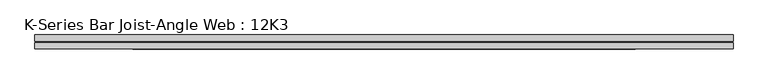
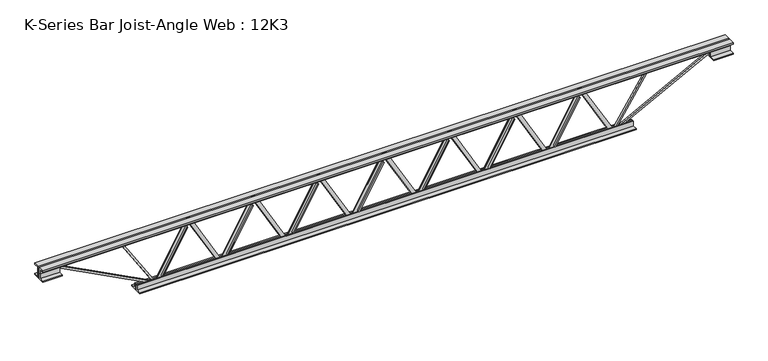
"""IFC4 building model written with IfcOpenShell, lengths in millimetres: beam geometry, K-Series Bar Joist-Angle Web : 12K3."""

import ifcopenshell
import ifcopenshell.guid

model = None  # the IFC model being written
_history = None  # IfcOwnerHistory: only IFC2X3 demands one
_inside = {}  # id of a spatial element -> (the spatial element, [elements in it])
_under = {}  # id of a project, library or spatial element -> (it, [spatial elements below it])
_declared = {}  # id of a project -> (the project, [libraries it declares])
_typed = {}  # id of a type object -> (the type object, [elements of that type])
_made_of = {}  # id of a material, layer set ... -> (it, [elements and type objects made of it])


def new_model(schema):
    """Start an empty IFC model of exactly this schema.

    Asked for "IFC4X3", IfcOpenShell would pick the latest addendum, in which some entities
    have other attributes; the version numbers below select the first issue.
    IFC2X3 requires an IfcOwnerHistory on every rooted entity: one is made here for all.
    """
    global model, _history
    if schema == "IFC4X3":
        model = ifcopenshell.file(schema_version=(4, 3, 0, 0))
    else:
        model = ifcopenshell.file(schema=schema)
    _inside.clear()
    _under.clear()
    _declared.clear()
    _typed.clear()
    _made_of.clear()
    _history = None
    if model.schema == "IFC2X3":
        org = make("IfcOrganization", Name="unknown")
        user = make(
            "IfcPersonAndOrganization",
            ThePerson=make("IfcPerson", FamilyName="unknown"),
            TheOrganization=org,
        )
        app = make(
            "IfcApplication",
            ApplicationDeveloper=org,
            Version="unknown",
            ApplicationFullName="unknown",
            ApplicationIdentifier="unknown",
        )
        _history = make(
            "IfcOwnerHistory",
            OwningUser=user,
            OwningApplication=app,
            ChangeAction="ADDED",
            CreationDate=0,
        )
    return model


def make(cls, **values):
    """One entity of the class cls with the attributes given. An attribute that is None is left unset."""
    return model.create_entity(
        cls, **{name: value for name, value in values.items() if value is not None}
    )


def rooted(cls, **values):
    """An entity with a GlobalId (a new one), such as an element, a storey or a relation."""
    return make(cls, GlobalId=ifcopenshell.guid.new(), OwnerHistory=_history, **values)


def si_unit(unit_type, name, prefix=None):
    """IfcSIUnit, for example si_unit("LENGTHUNIT", "METRE", prefix="MILLI")."""
    return make("IfcSIUnit", UnitType=unit_type, Prefix=prefix, Name=name)


def assignment(units):
    """IfcUnitAssignment: the units of a project."""
    return None if units is None else make("IfcUnitAssignment", Units=units)


def point(xyz):
    """IfcCartesianPoint."""
    return None if xyz is None else make("IfcCartesianPoint", Coordinates=xyz)


def direction(xyz):
    """IfcDirection."""
    return None if xyz is None else make("IfcDirection", DirectionRatios=xyz)


def frame(location, z_axis=None, x_axis=None):
    """IfcAxis2Placement3D, a coordinate frame: its origin and axes. An axis left out is left unset."""
    return make(
        "IfcAxis2Placement3D",
        Location=point(location),
        Axis=direction(z_axis),
        RefDirection=direction(x_axis),
    )


def origin():
    """The frame at (0, 0, 0) with its axes left unset."""
    return frame((0.0, 0.0, 0.0))


def place(relative_to, where):
    """IfcLocalPlacement: puts the frame where relative to a parent placement (None: the world)."""
    return make(
        "IfcLocalPlacement", PlacementRelTo=relative_to, RelativePlacement=where
    )


def context(
    kind, dimensions, precision=None, world=None, true_north=None, identifier=None
):
    """IfcGeometricRepresentationContext, for example the 3D "Model" context."""
    return make(
        "IfcGeometricRepresentationContext",
        ContextIdentifier=identifier,
        ContextType=kind,
        CoordinateSpaceDimension=dimensions,
        Precision=precision,
        WorldCoordinateSystem=world,
        TrueNorth=true_north,
    )


def project(units=None, contexts=None):
    """IfcProject with its units and contexts."""
    return rooted(
        "IfcProject",
        Name="project",
        RepresentationContexts=contexts,
        UnitsInContext=assignment(units),
    )


def spatial(cls, under=None, at=None, **own):
    """A site, building, storey or space (cls), placed at a placement, below another one or the project."""
    s = rooted(cls, ObjectPlacement=at, **own)
    if under is not None:
        _under.setdefault(under.id(), (under, []))[1].append(s)
    return s


def polyline(points):
    """IfcPolyline through the points."""
    return make("IfcPolyline", Points=[point(p) for p in points])


def outline(outer, holes=None, kind="AREA"):
    """IfcArbitraryClosedProfileDef: a profile drawn as a closed curve; with holes, ...WithVoids."""
    if holes is None:
        return make("IfcArbitraryClosedProfileDef", ProfileType=kind, OuterCurve=outer)
    return make(
        "IfcArbitraryProfileDefWithVoids",
        ProfileType=kind,
        OuterCurve=outer,
        InnerCurves=holes,
    )


def extrude(swept, where, along, depth):
    """IfcExtrudedAreaSolid: the profile swept, set in the frame where, extruded along a direction by depth."""
    return make(
        "IfcExtrudedAreaSolid",
        SweptArea=swept,
        Position=where,
        ExtrudedDirection=direction(along),
        Depth=depth,
    )


def faces_of(points, faces, orient=None, outer=None):
    """IfcFace entities. A face is a list of loops; a loop is a list of indices into points, from 0.

    orient and outer hold one flag for each loop. By default every Orientation is true, the
    first loop of a face is its IfcFaceOuterBound and the others are IfcFaceBound.
    """
    made = []
    for i, loops in enumerate(faces):
        bounds = []
        for j, loop in enumerate(loops):
            is_outer = j == 0 if outer is None else outer[i][j]
            bounds.append(
                make(
                    "IfcFaceOuterBound" if is_outer else "IfcFaceBound",
                    Bound=make("IfcPolyLoop", Polygon=[points[k] for k in loop]),
                    Orientation=True if orient is None else orient[i][j],
                )
            )
        made.append(make("IfcFace", Bounds=bounds))
    return made


def faceted_brep(points, faces, orient=None, outer=None, voids=None):
    """IfcFacetedBrep: a solid bounded by flat faces; with voids (closed shells), ...WithVoids."""
    shared = [point(p) for p in points]
    hull = make("IfcClosedShell", CfsFaces=faces_of(shared, faces, orient, outer))
    if voids is None:
        return make("IfcFacetedBrep", Outer=hull)
    return make(
        "IfcFacetedBrepWithVoids",
        Outer=hull,
        Voids=[
            make(cls, CfsFaces=faces_of(shared, fs, o, b)) for cls, fs, o, b in voids
        ],
    )


def shape(context_of_items, identifier, shape_type, items):
    """IfcShapeRepresentation: the items that make up one representation, for example the "Body"."""
    return make(
        "IfcShapeRepresentation",
        ContextOfItems=context_of_items,
        RepresentationIdentifier=identifier,
        RepresentationType=shape_type,
        Items=items,
    )


def source(mapping_origin, context_of_items, identifier, shape_type, items):
    """IfcRepresentationMap: a shape defined once, which mapped items show again and again."""
    return make(
        "IfcRepresentationMap",
        MappingOrigin=mapping_origin,
        MappedRepresentation=shape(context_of_items, identifier, shape_type, items),
    )


def transform(
    local_origin,
    x_axis=None,
    y_axis=None,
    z_axis=None,
    scale=None,
    scale2=None,
    scale3=None,
    uniform=True,
):
    """IfcCartesianTransformationOperator3D, or its non-uniform kind. x_axis, y_axis, z_axis: its Axis1, 2, 3."""
    if uniform:
        return make(
            "IfcCartesianTransformationOperator3D",
            Axis1=direction(x_axis),
            Axis2=direction(y_axis),
            LocalOrigin=point(local_origin),
            Scale=scale,
            Axis3=direction(z_axis),
        )
    return make(
        "IfcCartesianTransformationOperator3DnonUniform",
        Axis1=direction(x_axis),
        Axis2=direction(y_axis),
        LocalOrigin=point(local_origin),
        Scale=scale,
        Axis3=direction(z_axis),
        Scale2=scale2,
        Scale3=scale3,
    )


def mapped(mapping_source, mapping_target):
    """IfcMappedItem: shows the shape of a source again, moved by a transform."""
    return make(
        "IfcMappedItem", MappingSource=mapping_source, MappingTarget=mapping_target
    )


def made_of(thing, what):
    """Note that an element or type object is made of a material, layer set ...; save() writes the relation."""
    if what is not None:
        _made_of.setdefault(what.id(), (what, []))[1].append(thing)
    return thing


def element(
    cls,
    number,
    at=None,
    inside=None,
    cuts=None,
    type_object=None,
    material=None,
    context=None,
    identifier="Body",
    shape_type=None,
    held_by="IfcProductDefinitionShape",
    body=None,
    shapes=None,
    **own,
):
    """One element of the class cls, such as IfcWall. Its Tag is "e" and its number.

    at: its placement. inside: the storey or other place that contains it. cuts: it is an
    opening in that element (IfcRelVoidsElement). A single representation is given by context,
    identifier, shape_type and body (its items); several are given by shapes. held_by: the class
    of the entity that holds the representations. save() writes the other relations.
    """
    e = rooted(cls, Tag="e%d" % number, ObjectPlacement=at, **own)
    if body is not None:
        shapes = [shape(context, identifier, shape_type, body)]
    if shapes is not None:
        e.Representation = make(held_by, Representations=shapes)
    if inside is not None:
        _inside.setdefault(inside.id(), (inside, []))[1].append(e)
    if cuts is not None:
        rooted(
            "IfcRelVoidsElement", RelatingBuildingElement=cuts, RelatedOpeningElement=e
        )
    if type_object is not None:
        _typed.setdefault(type_object.id(), (type_object, []))[1].append(e)
    return made_of(e, material)


def aggregate(whole, parts):
    """IfcRelAggregates: a whole, such as a stair, and the parts it consists of."""
    return rooted("IfcRelAggregates", RelatingObject=whole, RelatedObjects=parts)


def save(model, path):
    """Write the relations noted so far, then the file.

    IfcRelAggregates (storeys below a building ...), IfcRelContainedInSpatialStructure (elements
    in a storey), IfcRelDefinesByType, IfcRelAssociatesMaterial and IfcRelDeclares: one each for
    every whole, place, type object, material and project.
    """
    for whole, parts in _under.values():
        aggregate(whole, parts)
    for where, things in _inside.values():
        rooted(
            "IfcRelContainedInSpatialStructure",
            RelatedElements=things,
            RelatingStructure=where,
        )
    for kind, things in _typed.values():
        rooted("IfcRelDefinesByType", RelatedObjects=things, RelatingType=kind)
    for what, things in _made_of.values():
        rooted("IfcRelAssociatesMaterial", RelatedObjects=things, RelatingMaterial=what)
    for by, libraries in _declared.values():
        rooted("IfcRelDeclares", RelatingContext=by, RelatedDefinitions=libraries)
    model.write(path)


def k_series_bar_joist_angle_web_12k3_3188a561(model_context):
    return source(origin(), model_context, "Body", "SolidModel", [
        extrude(outline(polyline([(-4.7625, 4.7625), (-4.7625, 0.0), (-17.4625, 0.0), (-17.4625, 4.7625), (-4.7625, 4.7625)])), frame((825.5130629, 0.0, -114.3), z_axis=(-0.4940094076095883, 0.0, 0.8694565573927335), x_axis=(0.0, -1.0, 0.0)), (0.0, 0.0, 1.0), 262.9228546),
        extrude(outline(polyline([(-149.225, 857.25), (-130.175, 857.25), (-130.175, 856.4431871), (149.225, 697.6931871), (149.225, 679.45), (130.175, 679.45), (130.175, 686.6068129), (-149.225, 845.3568129), (-149.225, 857.25)])), frame((0.0, 0.0, 0.0), z_axis=(0.0, 1.0, 0.0), x_axis=(0.0, 0.0, 1.0)), (0.0, 0.0, 1.0), 4.7625),
        faceted_brep([(514.35, 0.0, -130.175), (514.35, 0.0, -149.225), (514.35, -4.7625, -149.225), (514.35, -4.7625, -130.175), (515.1568129, 0.0, -130.175), (673.9068129, 0.0, 149.225), (692.15, 0.0, 149.225), (692.15, 0.0, 130.175), (684.9931871, 0.0, 130.175), (526.2431871, 0.0, -149.225), (526.2431871, -4.7625, -149.225), (546.0869371, -4.7625, -114.3), (541.9461503, -4.7625, -111.9472802), (671.8325139, -4.7625, 116.6527198), (675.9733008, -4.7625, 114.3), (684.9931871, -4.7625, 130.175), (692.15, -4.7625, 130.175), (692.15, -4.7625, 149.225), (673.9068129, -4.7625, 149.225), (515.1568129, -4.7625, -130.175), (675.9733008, -17.4625, 114.3), (546.0869371, -17.4625, -114.3), (541.9461503, -17.4625, -111.9472802), (671.8325139, -17.4625, 116.6527198)], [[[0, 1, 2, 3]], [[1, 0, 4, 5, 6, 7, 8, 9]], [[2, 1, 9, 10]], [[3, 2, 10, 11, 12, 13, 14, 15, 16, 17, 18, 19]], [[0, 3, 19, 4]], [[9, 8, 15, 14, 20, 21, 11, 10]], [[5, 4, 19, 18]], [[7, 6, 17, 16]], [[8, 7, 16, 15]], [[6, 5, 18, 17]], [[21, 22, 12, 11]], [[20, 14, 13, 23]], [[22, 21, 20, 23]], [[12, 22, 23, 13]]]),
        extrude(outline(polyline([(-4.7625, 4.7625), (-4.7625, 0.0), (-17.4625, 0.0), (-17.4625, 4.7625), (-4.7625, 4.7625)])), frame((482.6130629, 0.0, -114.3), z_axis=(-0.4940094076095883, 0.0, 0.8694565573927335), x_axis=(0.0, -1.0, 0.0)), (0.0, 0.0, 1.0), 262.9228546),
        extrude(outline(polyline([(-149.225, 514.35), (-130.175, 514.35), (-130.175, 513.5431871), (149.225, 354.7931871), (149.225, 336.55), (130.175, 336.55), (130.175, 343.7068129), (-149.225, 502.4568129), (-149.225, 514.35)])), frame((0.0, 0.0, 0.0), z_axis=(0.0, 1.0, 0.0), x_axis=(0.0, 0.0, 1.0)), (0.0, 0.0, 1.0), 4.7625),
        faceted_brep([(171.45, 0.0, -130.175), (171.45, 0.0, -149.225), (171.45, -4.7625, -149.225), (171.45, -4.7625, -130.175), (172.2568129, 0.0, -130.175), (331.0068129, 0.0, 149.225), (349.25, 0.0, 149.225), (349.25, 0.0, 130.175), (342.0931871, 0.0, 130.175), (183.3431871, 0.0, -149.225), (183.3431871, -4.7625, -149.225), (203.1869371, -4.7625, -114.3), (199.0461503, -4.7625, -111.9472802), (328.9325139, -4.7625, 116.6527198), (333.0733008, -4.7625, 114.3), (342.0931871, -4.7625, 130.175), (349.25, -4.7625, 130.175), (349.25, -4.7625, 149.225), (331.0068129, -4.7625, 149.225), (172.2568129, -4.7625, -130.175), (333.0733008, -17.4625, 114.3), (203.1869371, -17.4625, -114.3), (199.0461503, -17.4625, -111.9472802), (328.9325139, -17.4625, 116.6527198)], [[[0, 1, 2, 3]], [[1, 0, 4, 5, 6, 7, 8, 9]], [[2, 1, 9, 10]], [[3, 2, 10, 11, 12, 13, 14, 15, 16, 17, 18, 19]], [[0, 3, 19, 4]], [[9, 8, 15, 14, 20, 21, 11, 10]], [[5, 4, 19, 18]], [[7, 6, 17, 16]], [[8, 7, 16, 15]], [[6, 5, 18, 17]], [[21, 22, 12, 11]], [[20, 14, 13, 23]], [[22, 21, 20, 23]], [[12, 22, 23, 13]]]),
        extrude(outline(polyline([(-4.7625, 4.7625), (-4.7625, 0.0), (-17.4625, 0.0), (-17.4625, 4.7625), (-4.7625, 4.7625)])), frame((139.7130629, 0.0, -114.3), z_axis=(-0.4940094076095883, 0.0, 0.8694565573927335), x_axis=(0.0, -1.0, 0.0)), (0.0, 0.0, 1.0), 262.9228546),
        extrude(outline(polyline([(-149.225, 171.45), (-130.175, 171.45), (-130.175, 170.6431871), (149.225, 11.8931871), (149.225, -6.35), (130.175, -6.35), (130.175, 0.8068129), (-149.225, 159.5568129), (-149.225, 171.45)])), frame((0.0, 0.0, 0.0), z_axis=(0.0, 1.0, 0.0), x_axis=(0.0, 0.0, 1.0)), (0.0, 0.0, 1.0), 4.7625),
        faceted_brep([(-171.45, 0.0, -130.175), (-171.45, 0.0, -149.225), (-171.45, -4.7625, -149.225), (-171.45, -4.7625, -130.175), (-170.6431871, 0.0, -130.175), (-11.8931871, 0.0, 149.225), (6.35, 0.0, 149.225), (6.35, 0.0, 130.175), (-0.8068129, 0.0, 130.175), (-159.5568129, 0.0, -149.225), (-159.5568129, -4.7625, -149.225), (-139.7130629, -4.7625, -114.3), (-143.8538497, -4.7625, -111.9472802), (-13.9674861, -4.7625, 116.6527198), (-9.8266992, -4.7625, 114.3), (-0.8068129, -4.7625, 130.175), (6.35, -4.7625, 130.175), (6.35, -4.7625, 149.225), (-11.8931871, -4.7625, 149.225), (-170.6431871, -4.7625, -130.175), (-9.8266992, -17.4625, 114.3), (-139.7130629, -17.4625, -114.3), (-143.8538497, -17.4625, -111.9472802), (-13.9674861, -17.4625, 116.6527198)], [[[0, 1, 2, 3]], [[1, 0, 4, 5, 6, 7, 8, 9]], [[2, 1, 9, 10]], [[3, 2, 10, 11, 12, 13, 14, 15, 16, 17, 18, 19]], [[0, 3, 19, 4]], [[9, 8, 15, 14, 20, 21, 11, 10]], [[5, 4, 19, 18]], [[7, 6, 17, 16]], [[8, 7, 16, 15]], [[6, 5, 18, 17]], [[21, 22, 12, 11]], [[20, 14, 13, 23]], [[22, 21, 20, 23]], [[12, 22, 23, 13]]]),
        extrude(outline(polyline([(-4.7625, 4.7625), (-4.7625, 0.0), (-17.4625, 0.0), (-17.4625, 4.7625), (-4.7625, 4.7625)])), frame((-203.1869371, 0.0, -114.3), z_axis=(-0.4940094076095883, 0.0, 0.8694565573927335), x_axis=(0.0, -1.0, 0.0)), (0.0, 0.0, 1.0), 262.9228546),
        extrude(outline(polyline([(-149.225, -171.45), (-130.175, -171.45), (-130.175, -172.2568129), (149.225, -331.0068129), (149.225, -349.25), (130.175, -349.25), (130.175, -342.0931871), (-149.225, -183.3431871), (-149.225, -171.45)])), frame((0.0, 0.0, 0.0), z_axis=(0.0, 1.0, 0.0), x_axis=(0.0, 0.0, 1.0)), (0.0, 0.0, 1.0), 4.7625),
        faceted_brep([(-514.35, 0.0, -130.175), (-514.35, 0.0, -149.225), (-514.35, -4.7625, -149.225), (-514.35, -4.7625, -130.175), (-513.5431871, 0.0, -130.175), (-354.7931871, 0.0, 149.225), (-336.55, 0.0, 149.225), (-336.55, 0.0, 130.175), (-343.7068129, 0.0, 130.175), (-502.4568129, 0.0, -149.225), (-502.4568129, -4.7625, -149.225), (-482.6130629, -4.7625, -114.3), (-486.7538497, -4.7625, -111.9472802), (-356.8674861, -4.7625, 116.6527198), (-352.7266992, -4.7625, 114.3), (-343.7068129, -4.7625, 130.175), (-336.55, -4.7625, 130.175), (-336.55, -4.7625, 149.225), (-354.7931871, -4.7625, 149.225), (-513.5431871, -4.7625, -130.175), (-352.7266992, -17.4625, 114.3), (-482.6130629, -17.4625, -114.3), (-486.7538497, -17.4625, -111.9472802), (-356.8674861, -17.4625, 116.6527198)], [[[0, 1, 2, 3]], [[1, 0, 4, 5, 6, 7, 8, 9]], [[2, 1, 9, 10]], [[3, 2, 10, 11, 12, 13, 14, 15, 16, 17, 18, 19]], [[0, 3, 19, 4]], [[9, 8, 15, 14, 20, 21, 11, 10]], [[5, 4, 19, 18]], [[7, 6, 17, 16]], [[8, 7, 16, 15]], [[6, 5, 18, 17]], [[21, 22, 12, 11]], [[20, 14, 13, 23]], [[22, 21, 20, 23]], [[12, 22, 23, 13]]]),
        extrude(outline(polyline([(-4.7625, 4.7625), (-4.7625, 0.0), (-17.4625, 0.0), (-17.4625, 4.7625), (-4.7625, 4.7625)])), frame((-546.0869371, 0.0, -114.3), z_axis=(-0.4940094076095883, 0.0, 0.8694565573927335), x_axis=(0.0, -1.0, 0.0)), (0.0, 0.0, 1.0), 262.9228546),
        extrude(outline(polyline([(-149.225, -514.35), (-130.175, -514.35), (-130.175, -515.1568129), (149.225, -673.9068129), (149.225, -692.15), (130.175, -692.15), (130.175, -684.9931871), (-149.225, -526.2431871), (-149.225, -514.35)])), frame((0.0, 0.0, 0.0), z_axis=(0.0, 1.0, 0.0), x_axis=(0.0, 0.0, 1.0)), (0.0, 0.0, 1.0), 4.7625),
        faceted_brep([(-857.25, 0.0, -130.175), (-857.25, 0.0, -149.225), (-857.25, -4.7625, -149.225), (-857.25, -4.7625, -130.175), (-856.4431871, 0.0, -130.175), (-697.6931871, 0.0, 149.225), (-679.45, 0.0, 149.225), (-679.45, 0.0, 130.175), (-686.6068129, 0.0, 130.175), (-845.3568129, 0.0, -149.225), (-845.3568129, -4.7625, -149.225), (-825.5130629, -4.7625, -114.3), (-829.6538497, -4.7625, -111.9472802), (-699.7674861, -4.7625, 116.6527198), (-695.6266992, -4.7625, 114.3), (-686.6068129, -4.7625, 130.175), (-679.45, -4.7625, 130.175), (-679.45, -4.7625, 149.225), (-697.6931871, -4.7625, 149.225), (-856.4431871, -4.7625, -130.175), (-695.6266992, -17.4625, 114.3), (-825.5130629, -17.4625, -114.3), (-829.6538497, -17.4625, -111.9472802), (-699.7674861, -17.4625, 116.6527198)], [[[0, 1, 2, 3]], [[1, 0, 4, 5, 6, 7, 8, 9]], [[2, 1, 9, 10]], [[3, 2, 10, 11, 12, 13, 14, 15, 16, 17, 18, 19]], [[0, 3, 19, 4]], [[9, 8, 15, 14, 20, 21, 11, 10]], [[5, 4, 19, 18]], [[7, 6, 17, 16]], [[8, 7, 16, 15]], [[6, 5, 18, 17]], [[21, 22, 12, 11]], [[20, 14, 13, 23]], [[22, 21, 20, 23]], [[12, 22, 23, 13]]]),
        extrude(outline(polyline([(-4.7625, 4.7625), (-4.7625, 0.0), (-17.4625, 0.0), (-17.4625, 4.7625), (-4.7625, 4.7625)])), frame((1168.4130629, 0.0, -114.3), z_axis=(-0.4940094076095883, 0.0, 0.8694565573927335), x_axis=(0.0, -1.0, 0.0)), (0.0, 0.0, 1.0), 262.9228546),
        extrude(outline(polyline([(-149.225, 1200.15), (-130.175, 1200.15), (-130.175, 1199.3431871), (149.225, 1040.5931871), (149.225, 1022.35), (130.175, 1022.35), (130.175, 1029.5068129), (-149.225, 1188.2568129), (-149.225, 1200.15)])), frame((0.0, 0.0, 0.0), z_axis=(0.0, 1.0, 0.0), x_axis=(0.0, 0.0, 1.0)), (0.0, 0.0, 1.0), 4.7625),
        faceted_brep([(857.25, 0.0, -130.175), (857.25, 0.0, -149.225), (857.25, -4.7625, -149.225), (857.25, -4.7625, -130.175), (858.0568129, 0.0, -130.175), (1016.8068129, 0.0, 149.225), (1035.05, 0.0, 149.225), (1035.05, 0.0, 130.175), (1027.8931871, 0.0, 130.175), (869.1431871, 0.0, -149.225), (869.1431871, -4.7625, -149.225), (888.9869371, -4.7625, -114.3), (884.8461503, -4.7625, -111.9472802), (1014.7325139, -4.7625, 116.6527198), (1018.8733008, -4.7625, 114.3), (1027.8931871, -4.7625, 130.175), (1035.05, -4.7625, 130.175), (1035.05, -4.7625, 149.225), (1016.8068129, -4.7625, 149.225), (858.0568129, -4.7625, -130.175), (1018.8733008, -17.4625, 114.3), (888.9869371, -17.4625, -114.3), (884.8461503, -17.4625, -111.9472802), (1014.7325139, -17.4625, 116.6527198)], [[[0, 1, 2, 3]], [[1, 0, 4, 5, 6, 7, 8, 9]], [[2, 1, 9, 10]], [[3, 2, 10, 11, 12, 13, 14, 15, 16, 17, 18, 19]], [[0, 3, 19, 4]], [[9, 8, 15, 14, 20, 21, 11, 10]], [[5, 4, 19, 18]], [[7, 6, 17, 16]], [[8, 7, 16, 15]], [[6, 5, 18, 17]], [[21, 22, 12, 11]], [[20, 14, 13, 23]], [[22, 21, 20, 23]], [[12, 22, 23, 13]]]),
        extrude(outline(polyline([(-4.7625, 4.7625), (-4.7625, 0.0), (-17.4625, 0.0), (-17.4625, 4.7625), (-4.7625, 4.7625)])), frame((-888.9869371, 0.0, -114.3), z_axis=(-0.4940094076095883, 0.0, 0.8694565573927335), x_axis=(0.0, -1.0, 0.0)), (0.0, 0.0, 1.0), 262.9228546),
        extrude(outline(polyline([(-149.225, -857.25), (-130.175, -857.25), (-130.175, -858.0568129), (149.225, -1016.8068129), (149.225, -1035.05), (130.175, -1035.05), (130.175, -1027.8931871), (-149.225, -869.1431871), (-149.225, -857.25)])), frame((0.0, 0.0, 0.0), z_axis=(0.0, 1.0, 0.0), x_axis=(0.0, 0.0, 1.0)), (0.0, 0.0, 1.0), 4.7625),
        faceted_brep([(-1200.15, 0.0, -130.175), (-1200.15, 0.0, -149.225), (-1200.15, -4.7625, -149.225), (-1200.15, -4.7625, -130.175), (-1199.3431871, 0.0, -130.175), (-1040.5931871, 0.0, 149.225), (-1022.35, 0.0, 149.225), (-1022.35, 0.0, 130.175), (-1029.5068129, 0.0, 130.175), (-1188.2568129, 0.0, -149.225), (-1188.2568129, -4.7625, -149.225), (-1168.4130629, -4.7625, -114.3), (-1172.5538497, -4.7625, -111.9472802), (-1042.6674861, -4.7625, 116.6527198), (-1038.5266992, -4.7625, 114.3), (-1029.5068129, -4.7625, 130.175), (-1022.35, -4.7625, 130.175), (-1022.35, -4.7625, 149.225), (-1040.5931871, -4.7625, 149.225), (-1199.3431871, -4.7625, -130.175), (-1038.5266992, -17.4625, 114.3), (-1168.4130629, -17.4625, -114.3), (-1172.5538497, -17.4625, -111.9472802), (-1042.6674861, -17.4625, 116.6527198)], [[[0, 1, 2, 3]], [[1, 0, 4, 5, 6, 7, 8, 9]], [[2, 1, 9, 10]], [[3, 2, 10, 11, 12, 13, 14, 15, 16, 17, 18, 19]], [[0, 3, 19, 4]], [[9, 8, 15, 14, 20, 21, 11, 10]], [[5, 4, 19, 18]], [[7, 6, 17, 16]], [[8, 7, 16, 15]], [[6, 5, 18, 17]], [[21, 22, 12, 11]], [[20, 14, 13, 23]], [[22, 21, 20, 23]], [[12, 22, 23, 13]]]),
        extrude(outline(polyline([(4.7625, 152.4), (36.5125, 152.4), (36.5125, 146.05), (11.1125, 146.05), (11.1125, 120.65), (4.7625, 120.65), (4.7625, 152.4)])), frame((-1809.75, 0.0, 0.0), z_axis=(1.0, 0.0, 0.0), x_axis=(0.0, 1.0, 0.0)), (0.0, 0.0, 1.0), 3619.5),
        extrude(outline(polyline([(-4.7625, 152.4), (-4.7625, 120.65), (-11.1125, 120.65), (-11.1125, 146.05), (-36.5125, 146.05), (-36.5125, 152.4), (-4.7625, 152.4)])), frame((-1809.75, 0.0, 0.0), z_axis=(1.0, 0.0, 0.0), x_axis=(0.0, 1.0, 0.0)), (0.0, 0.0, 1.0), 3619.5),
        extrude(outline(polyline([(-4.7625, 88.9), (-36.5125, 88.9), (-36.5125, 95.25), (-11.1125, 95.25), (-11.1125, 120.65), (-4.7625, 120.65), (-4.7625, 88.9)])), frame((-1809.75, 0.0, 0.0), z_axis=(1.0, 0.0, 0.0), x_axis=(0.0, 1.0, 0.0)), (0.0, 0.0, 1.0), 101.6),
        extrude(outline(polyline([(36.5125, 88.9), (4.7625, 88.9), (4.7625, 120.65), (11.1125, 120.65), (11.1125, 95.25), (36.5125, 95.25), (36.5125, 88.9)])), frame((-1809.75, 0.0, 0.0), z_axis=(1.0, 0.0, 0.0), x_axis=(0.0, 1.0, 0.0)), (0.0, 0.0, 1.0), 101.6),
        extrude(outline(polyline([(4.7625, 88.9), (4.7625, 120.65), (11.1125, 120.65), (11.1125, 95.25), (36.5125, 95.25), (36.5125, 88.9), (4.7625, 88.9)])), frame((1708.15, 0.0, 0.0), z_axis=(1.0, 0.0, 0.0), x_axis=(0.0, 1.0, 0.0)), (0.0, 0.0, 1.0), 101.6),
        extrude(outline(polyline([(-4.7625, 88.9), (-36.5125, 88.9), (-36.5125, 95.25), (-11.1125, 95.25), (-11.1125, 120.65), (-4.7625, 120.65), (-4.7625, 88.9)])), frame((1708.15, 0.0, 0.0), z_axis=(1.0, 0.0, 0.0), x_axis=(0.0, 1.0, 0.0)), (0.0, 0.0, 1.0), 101.6),
        extrude(outline(polyline([(4.7625, -152.4), (4.7625, -120.65), (11.1125, -120.65), (11.1125, -146.05), (36.5125, -146.05), (36.5125, -152.4), (4.7625, -152.4)])), frame((-1301.75, 0.0, 0.0), z_axis=(1.0, 0.0, 0.0), x_axis=(0.0, 1.0, 0.0)), (0.0, 0.0, 1.0), 2603.5),
        extrude(outline(polyline([(-4.7625, -152.4), (-36.5125, -152.4), (-36.5125, -146.05), (-11.1125, -146.05), (-11.1125, -120.65), (-4.7625, -120.65), (-4.7625, -152.4)])), frame((-1301.75, 0.0, 0.0), z_axis=(1.0, 0.0, 0.0), x_axis=(0.0, 1.0, 0.0)), (0.0, 0.0, 1.0), 2603.5),
        extrude(outline(polyline([(4.7625, 4.7625), (4.7625, -4.7625), (-4.7625, -4.7625), (-4.7625, 4.7625), (4.7625, 4.7625)])), frame((1200.15, 0.0, -146.05), z_axis=(0.5407575913141491, 0.0, 0.8411784753761354), x_axis=(0.0, -1.0, 0.0)), (0.0, 0.0, 1.0), 317.0551884),
        extrude(outline(polyline([(4.7625, 4.7625), (4.7625, -4.7625), (-4.7625, -4.7625), (-4.7625, 4.7625), (4.7625, 4.7625)])), frame((-1200.15, 0.0, -146.05), z_axis=(-0.540757591314108, 0.0, 0.8411784753761619), x_axis=(0.0, -1.0, 0.0)), (0.0, 0.0, 1.0), 317.0551884),
        extrude(outline(polyline([(0.0, -9.525), (0.0, 0.0), (573.7533355, 0.0), (573.7533355, -9.525), (0.0, -9.525)])), frame((1710.3637714, -4.7625, 116.4332925), z_axis=(-0.46483389898932437, 0.0, 0.8853979028382565), x_axis=(-0.8853979028382565, 0.0, -0.46483389898932437)), (0.0, 0.0, 1.0), 9.525),
        extrude(outline(polyline([(0.0, -9.525), (0.0, 0.0), (573.7533355, 0.0), (573.7533355, -9.525), (0.0, -9.525)])), frame((-1710.3637714, 4.7625, 116.4332925), z_axis=(0.4648338989893202, 0.0, 0.8853979028382586), x_axis=(0.8853979028382586, 0.0, -0.4648338989893202)), (0.0, 0.0, 1.0), 9.525),
    ])


if __name__ == "__main__":
    model = new_model("IFC4")
    model_context = context("Model", 3, world=origin())
    ifc_project = project(units=[si_unit("LENGTHUNIT", "METRE", prefix="MILLI")], contexts=[model_context])
    site = spatial("IfcSite", under=ifc_project)
    building = spatial("IfcBuilding", under=site)
    placement = place(None, origin())
    k_series_bar_joist_angle_web_12k3_shape = k_series_bar_joist_angle_web_12k3_3188a561(model_context)
    element("IfcBeam", 1, ObjectType="K-Series Bar Joist-Angle Web : 12K3", at=placement, inside=building, context=model_context, shape_type="MappedRepresentation", body=[
        mapped(k_series_bar_joist_angle_web_12k3_shape, transform((0.0, 0.0, 0.0), x_axis=(1.0, 0.0, 0.0), y_axis=(0.0, 1.0, 0.0), z_axis=(0.0, 0.0, 1.0))),
    ])
    save(model, "model.ifc")
